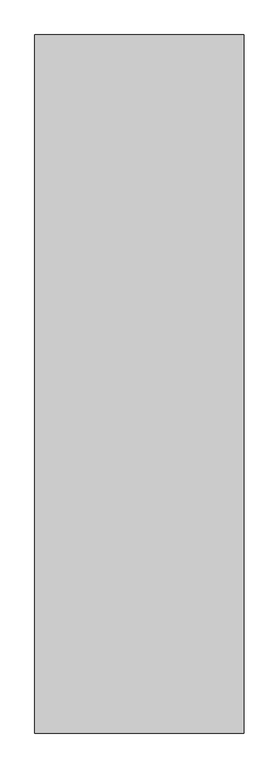
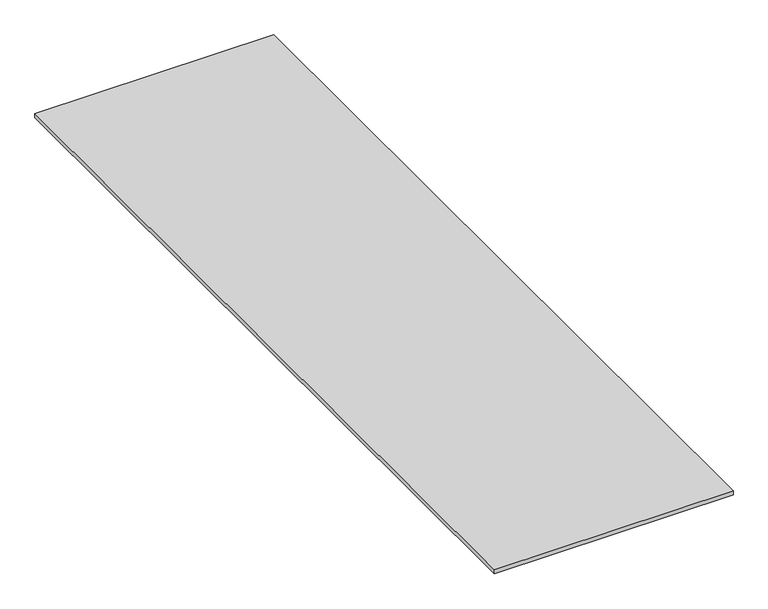
"""IFC4 building model written with IfcOpenShell, lengths in millimetres: proxy geometry."""

import ifcopenshell
import ifcopenshell.guid

model = None  # the IFC model being written
_history = None  # IfcOwnerHistory: only IFC2X3 demands one
_inside = {}  # id of a spatial element -> (the spatial element, [elements in it])
_under = {}  # id of a project, library or spatial element -> (it, [spatial elements below it])
_declared = {}  # id of a project -> (the project, [libraries it declares])
_typed = {}  # id of a type object -> (the type object, [elements of that type])
_made_of = {}  # id of a material, layer set ... -> (it, [elements and type objects made of it])


def new_model(schema):
    """Start an empty IFC model of exactly this schema.

    Asked for "IFC4X3", IfcOpenShell would pick the latest addendum, in which some entities
    have other attributes; the version numbers below select the first issue.
    IFC2X3 requires an IfcOwnerHistory on every rooted entity: one is made here for all.
    """
    global model, _history
    if schema == "IFC4X3":
        model = ifcopenshell.file(schema_version=(4, 3, 0, 0))
    else:
        model = ifcopenshell.file(schema=schema)
    _inside.clear()
    _under.clear()
    _declared.clear()
    _typed.clear()
    _made_of.clear()
    _history = None
    if model.schema == "IFC2X3":
        org = make("IfcOrganization", Name="unknown")
        user = make(
            "IfcPersonAndOrganization",
            ThePerson=make("IfcPerson", FamilyName="unknown"),
            TheOrganization=org,
        )
        app = make(
            "IfcApplication",
            ApplicationDeveloper=org,
            Version="unknown",
            ApplicationFullName="unknown",
            ApplicationIdentifier="unknown",
        )
        _history = make(
            "IfcOwnerHistory",
            OwningUser=user,
            OwningApplication=app,
            ChangeAction="ADDED",
            CreationDate=0,
        )
    return model


def make(cls, **values):
    """One entity of the class cls with the attributes given. An attribute that is None is left unset."""
    return model.create_entity(
        cls, **{name: value for name, value in values.items() if value is not None}
    )


def rooted(cls, **values):
    """An entity with a GlobalId (a new one), such as an element, a storey or a relation."""
    return make(cls, GlobalId=ifcopenshell.guid.new(), OwnerHistory=_history, **values)


def si_unit(unit_type, name, prefix=None):
    """IfcSIUnit, for example si_unit("LENGTHUNIT", "METRE", prefix="MILLI")."""
    return make("IfcSIUnit", UnitType=unit_type, Prefix=prefix, Name=name)


def assignment(units):
    """IfcUnitAssignment: the units of a project."""
    return None if units is None else make("IfcUnitAssignment", Units=units)


def point(xyz):
    """IfcCartesianPoint."""
    return None if xyz is None else make("IfcCartesianPoint", Coordinates=xyz)


def direction(xyz):
    """IfcDirection."""
    return None if xyz is None else make("IfcDirection", DirectionRatios=xyz)


def frame(location, z_axis=None, x_axis=None):
    """IfcAxis2Placement3D, a coordinate frame: its origin and axes. An axis left out is left unset."""
    return make(
        "IfcAxis2Placement3D",
        Location=point(location),
        Axis=direction(z_axis),
        RefDirection=direction(x_axis),
    )


def origin():
    """The frame at (0, 0, 0) with its axes left unset."""
    return frame((0.0, 0.0, 0.0))


def origin_with_axes():
    """The frame at (0, 0, 0) with the z axis (0, 0, 1) and the x axis (1, 0, 0) written out."""
    return frame((0.0, 0.0, 0.0), z_axis=(0.0, 0.0, 1.0), x_axis=(1.0, 0.0, 0.0))


def place(relative_to, where):
    """IfcLocalPlacement: puts the frame where relative to a parent placement (None: the world)."""
    return make(
        "IfcLocalPlacement", PlacementRelTo=relative_to, RelativePlacement=where
    )


def context(
    kind, dimensions, precision=None, world=None, true_north=None, identifier=None
):
    """IfcGeometricRepresentationContext, for example the 3D "Model" context."""
    return make(
        "IfcGeometricRepresentationContext",
        ContextIdentifier=identifier,
        ContextType=kind,
        CoordinateSpaceDimension=dimensions,
        Precision=precision,
        WorldCoordinateSystem=world,
        TrueNorth=true_north,
    )


def project(units=None, contexts=None):
    """IfcProject with its units and contexts."""
    return rooted(
        "IfcProject",
        Name="project",
        RepresentationContexts=contexts,
        UnitsInContext=assignment(units),
    )


def spatial(cls, under=None, at=None, **own):
    """A site, building, storey or space (cls), placed at a placement, below another one or the project."""
    s = rooted(cls, ObjectPlacement=at, **own)
    if under is not None:
        _under.setdefault(under.id(), (under, []))[1].append(s)
    return s


def polyline(points):
    """IfcPolyline through the points."""
    return make("IfcPolyline", Points=[point(p) for p in points])


def outline(outer, holes=None, kind="AREA"):
    """IfcArbitraryClosedProfileDef: a profile drawn as a closed curve; with holes, ...WithVoids."""
    if holes is None:
        return make("IfcArbitraryClosedProfileDef", ProfileType=kind, OuterCurve=outer)
    return make(
        "IfcArbitraryProfileDefWithVoids",
        ProfileType=kind,
        OuterCurve=outer,
        InnerCurves=holes,
    )


def extrude(swept, where, along, depth):
    """IfcExtrudedAreaSolid: the profile swept, set in the frame where, extruded along a direction by depth."""
    return make(
        "IfcExtrudedAreaSolid",
        SweptArea=swept,
        Position=where,
        ExtrudedDirection=direction(along),
        Depth=depth,
    )


def shape(context_of_items, identifier, shape_type, items):
    """IfcShapeRepresentation: the items that make up one representation, for example the "Body"."""
    return make(
        "IfcShapeRepresentation",
        ContextOfItems=context_of_items,
        RepresentationIdentifier=identifier,
        RepresentationType=shape_type,
        Items=items,
    )


def source(mapping_origin, context_of_items, identifier, shape_type, items):
    """IfcRepresentationMap: a shape defined once, which mapped items show again and again."""
    return make(
        "IfcRepresentationMap",
        MappingOrigin=mapping_origin,
        MappedRepresentation=shape(context_of_items, identifier, shape_type, items),
    )


def transform(
    local_origin,
    x_axis=None,
    y_axis=None,
    z_axis=None,
    scale=None,
    scale2=None,
    scale3=None,
    uniform=True,
):
    """IfcCartesianTransformationOperator3D, or its non-uniform kind. x_axis, y_axis, z_axis: its Axis1, 2, 3."""
    if uniform:
        return make(
            "IfcCartesianTransformationOperator3D",
            Axis1=direction(x_axis),
            Axis2=direction(y_axis),
            LocalOrigin=point(local_origin),
            Scale=scale,
            Axis3=direction(z_axis),
        )
    return make(
        "IfcCartesianTransformationOperator3DnonUniform",
        Axis1=direction(x_axis),
        Axis2=direction(y_axis),
        LocalOrigin=point(local_origin),
        Scale=scale,
        Axis3=direction(z_axis),
        Scale2=scale2,
        Scale3=scale3,
    )


def mapped(mapping_source, mapping_target):
    """IfcMappedItem: shows the shape of a source again, moved by a transform."""
    return make(
        "IfcMappedItem", MappingSource=mapping_source, MappingTarget=mapping_target
    )


def made_of(thing, what):
    """Note that an element or type object is made of a material, layer set ...; save() writes the relation."""
    if what is not None:
        _made_of.setdefault(what.id(), (what, []))[1].append(thing)
    return thing


def element(
    cls,
    number,
    at=None,
    inside=None,
    cuts=None,
    type_object=None,
    material=None,
    context=None,
    identifier="Body",
    shape_type=None,
    held_by="IfcProductDefinitionShape",
    body=None,
    shapes=None,
    **own,
):
    """One element of the class cls, such as IfcWall. Its Tag is "e" and its number.

    at: its placement. inside: the storey or other place that contains it. cuts: it is an
    opening in that element (IfcRelVoidsElement). A single representation is given by context,
    identifier, shape_type and body (its items); several are given by shapes. held_by: the class
    of the entity that holds the representations. save() writes the other relations.
    """
    e = rooted(cls, Tag="e%d" % number, ObjectPlacement=at, **own)
    if body is not None:
        shapes = [shape(context, identifier, shape_type, body)]
    if shapes is not None:
        e.Representation = make(held_by, Representations=shapes)
    if inside is not None:
        _inside.setdefault(inside.id(), (inside, []))[1].append(e)
    if cuts is not None:
        rooted(
            "IfcRelVoidsElement", RelatingBuildingElement=cuts, RelatedOpeningElement=e
        )
    if type_object is not None:
        _typed.setdefault(type_object.id(), (type_object, []))[1].append(e)
    return made_of(e, material)


def aggregate(whole, parts):
    """IfcRelAggregates: a whole, such as a stair, and the parts it consists of."""
    return rooted("IfcRelAggregates", RelatingObject=whole, RelatedObjects=parts)


def save(model, path):
    """Write the relations noted so far, then the file.

    IfcRelAggregates (storeys below a building ...), IfcRelContainedInSpatialStructure (elements
    in a storey), IfcRelDefinesByType, IfcRelAssociatesMaterial and IfcRelDeclares: one each for
    every whole, place, type object, material and project.
    """
    for whole, parts in _under.values():
        aggregate(whole, parts)
    for where, things in _inside.values():
        rooted(
            "IfcRelContainedInSpatialStructure",
            RelatedElements=things,
            RelatingStructure=where,
        )
    for kind, things in _typed.values():
        rooted("IfcRelDefinesByType", RelatedObjects=things, RelatingType=kind)
    for what, things in _made_of.values():
        rooted("IfcRelAssociatesMaterial", RelatedObjects=things, RelatingMaterial=what)
    for by, libraries in _declared.values():
        rooted("IfcRelDeclares", RelatingContext=by, RelatedDefinitions=libraries)
    model.write(path)


def generic_models_a058aa01(model_context):
    return source(origin(), model_context, "Body", "SweptSolid", [
        extrude(outline(polyline([(11159.4865951, -2652.8374841), (11159.4865951, -4652.8374841), (10559.4865951, -4652.8374841), (10559.4865951, -2652.8374841), (11159.4865951, -2652.8374841)])), origin_with_axes(), (0.0, 0.0, 1.0), 10.0),
    ])


if __name__ == "__main__":
    model = new_model("IFC4")
    model_context = context("Model", 3, world=origin())
    ifc_project = project(units=[si_unit("LENGTHUNIT", "METRE", prefix="MILLI")], contexts=[model_context])
    site = spatial("IfcSite", under=ifc_project)
    building = spatial("IfcBuilding", under=site)
    placement = place(None, origin())
    generic_models_shape = generic_models_a058aa01(model_context)
    element("IfcBuildingElementProxy", 1, Name="Generic Models", at=placement, inside=building, context=model_context, shape_type="MappedRepresentation", body=[
        mapped(generic_models_shape, transform((0.0, 0.0, 0.0), x_axis=(1.0, 0.0, 0.0), y_axis=(0.0, 1.0, 0.0), z_axis=(0.0, 0.0, 1.0))),
    ])
    save(model, "model.ifc")
